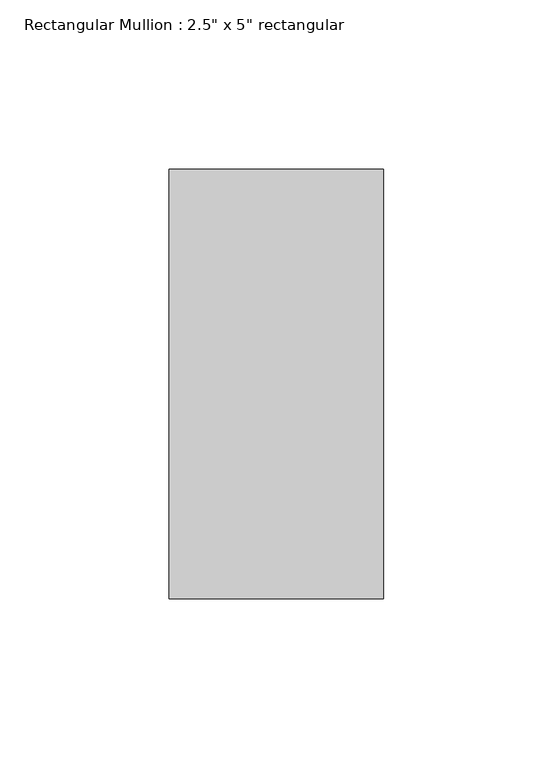
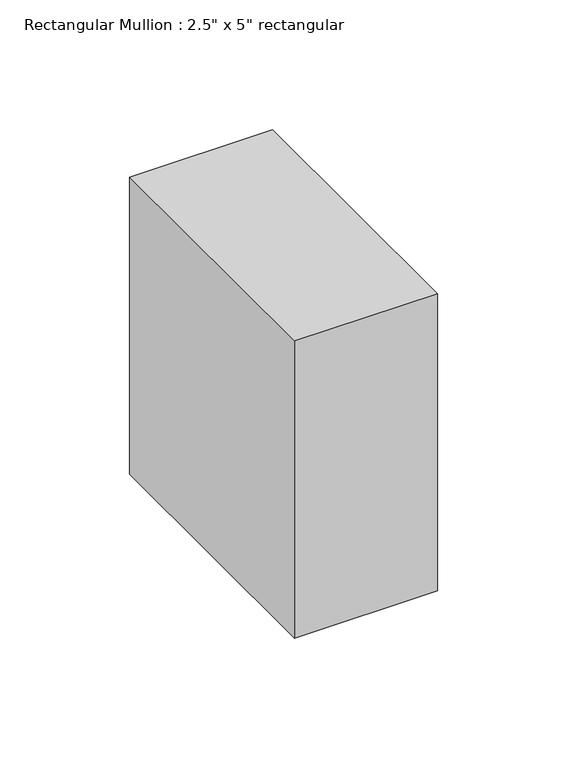
"""IFC4 building model written with IfcOpenShell, lengths in millimetres: member geometry."""

from ifc_helpers import new_model, si_unit, frame, origin, place, context, project, spatial, polyline, outline, extrude, source, transform, mapped, element, save


def member_203924d8(model_context):
    return source(origin(), model_context, "Body", "SweptSolid", [
        extrude(outline(polyline([(31.75, 63.5), (31.75, -63.5), (-31.75, -63.5), (-31.75, 63.5), (31.75, 63.5)])), frame((0.0, 0.0, -139.7), z_axis=(0.0, 0.0, 1.0), x_axis=(1.0, 0.0, 0.0)), (0.0, 0.0, 1.0), 139.7),
    ])


if __name__ == "__main__":
    model = new_model("IFC4")
    model_context = context("Model", 3, world=origin())
    ifc_project = project(units=[si_unit("LENGTHUNIT", "METRE", prefix="MILLI")], contexts=[model_context])
    site = spatial("IfcSite", under=ifc_project)
    building = spatial("IfcBuilding", under=site)
    placement = place(None, origin())
    member_shape = member_203924d8(model_context)
    element("IfcMember", 1, ObjectType="Rectangular Mullion : 2.5\" x 5\" rectangular", at=placement, inside=building, context=model_context, shape_type="MappedRepresentation", body=[
        mapped(member_shape, transform((0.0, 0.0, 0.0), x_axis=(1.0, 0.0, 0.0), y_axis=(0.0, 1.0, 0.0), z_axis=(0.0, 0.0, 1.0))),
    ])
    save(model, "model.ifc")
